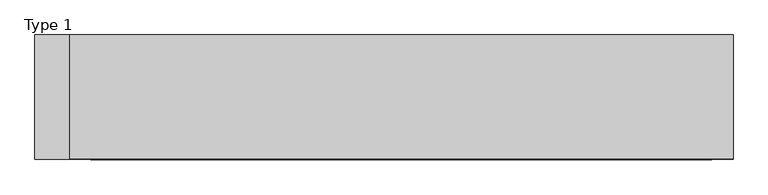
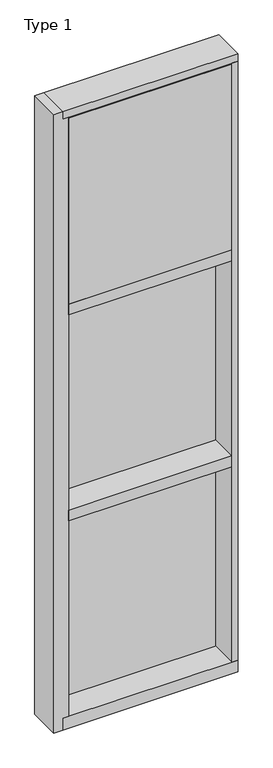
"""IFC4 building model written with IfcOpenShell, lengths in millimetres: plate geometry, Type 1."""

from ifc_helpers import new_model, si_unit, frame, origin, place, context, project, spatial, polyline, outline, extrude, faceted_brep, source, transform, mapped, element, save


def type_1_eb55c63a(model_context):
    return source(origin(), model_context, "Body", "SolidModel", [
        extrude(outline(polyline([(490.1108975, 27.6881517), (490.1108975, 11.2982336), (477.4119867, 11.2982336), (477.4119867, 27.6881517), (490.1108975, 27.6881517)])), frame((0.0, 0.0, 1225.55), z_axis=(0.0, 0.0, 1.0), x_axis=(1.0, 0.0, 0.0)), (0.0, 0.0, 1.0), 1206.5),
        extrude(outline(polyline([(-477.4119867, 27.6881517), (-477.4119867, 11.2982336), (-490.1108975, 11.2982336), (-490.1108975, 27.6881517), (-477.4119867, 27.6881517)])), frame((0.0, 0.0, 1225.55), z_axis=(0.0, 0.0, 1.0), x_axis=(1.0, 0.0, 0.0)), (0.0, 0.0, 1.0), 1206.5),
        extrude(outline(polyline([(477.4119867, 27.686), (477.4119867, 2.286), (-477.4119867, 2.286), (-477.4119867, 27.686), (477.4119867, 27.686)])), frame((0.0, 0.0, 1225.55), z_axis=(0.0, 0.0, 1.0), x_axis=(1.0, 0.0, 0.0)), (0.0, 0.0, 1.0), 1206.5),
        extrude(outline(polyline([(490.1108975, 27.686), (490.1108975, 6.35), (-490.1108975, 6.35), (-490.1108975, 27.686), (490.1108975, 27.686)])), frame((0.0, 0.0, 2432.05), z_axis=(0.0, 0.0, 1.0), x_axis=(1.0, 0.0, 0.0)), (0.0, 0.0, 1.0), 12.7),
        faceted_brep([(-540.9108975, -155.9814, 3619.5), (-490.1108975, -155.9814, 3619.5), (-490.1108975, 27.686, 3619.5), (-540.9108975, 27.686, 3619.5), (-540.9108975, -155.9814, -38.1), (-540.9108975, 27.686, -38.1), (-490.1108975, 27.686, -38.1), (-490.1108975, -155.9814, -38.1), (-490.1108975, -155.9814, 31.75), (-458.3608975, -155.9814, 31.75), (-458.3608975, -155.9814, 3575.05), (-490.1108975, -155.9814, 3575.05), (-490.1108975, 2.286, 3575.05), (-490.1108975, 2.286, 31.75), (-458.3608975, 2.286, 3575.05), (-458.3608975, 2.286, 31.75)], [[[0, 1, 2, 3]], [[4, 5, 6, 7]], [[0, 4, 7, 8, 9, 10, 11, 1]], [[1, 11, 12, 13, 8, 7, 6, 2]], [[3, 5, 4, 0]], [[2, 6, 5, 3]], [[12, 11, 10, 14]], [[8, 13, 15, 9]], [[10, 9, 15, 14]], [[14, 15, 13, 12]]]),
        extrude(outline(polyline([(490.1108975, -155.9814), (458.3608975, -155.9814), (458.3608975, 2.286), (490.1108975, 2.286), (490.1108975, -155.9814)])), frame((0.0, 0.0, 31.75), z_axis=(0.0, 0.0, 1.0), x_axis=(1.0, 0.0, 0.0)), (0.0, 0.0, 1.0), 3543.3),
        extrude(outline(polyline([(458.3619867, -48.6409999), (458.3619867, -156.32684), (-458.3608975, -156.32684), (-458.3608975, -48.6409999), (458.3619867, -48.6409999)])), frame((0.0, 0.0, 2470.15), z_axis=(0.0, 0.0, 1.0), x_axis=(1.0, 0.0, 0.0)), (0.0, 0.0, 1.0), 1098.6493556),
        extrude(outline(polyline([(490.1108975, 27.6881517), (490.1108975, 11.2982336), (477.4119867, 11.2982336), (477.4119867, 27.6881517), (490.1108975, 27.6881517)])), frame((0.0, 0.0, 2444.75), z_axis=(0.0, 0.0, 1.0), x_axis=(1.0, 0.0, 0.0)), (0.0, 0.0, 1.0), 1149.35),
        extrude(outline(polyline([(-477.4119867, 27.6881517), (-477.4119867, 11.2982336), (-490.1108975, 11.2982336), (-490.1108975, 27.6881517), (-477.4119867, 27.6881517)])), frame((0.0, 0.0, 2444.75), z_axis=(0.0, 0.0, 1.0), x_axis=(1.0, 0.0, 0.0)), (0.0, 0.0, 1.0), 1149.35),
        extrude(outline(polyline([(477.4119867, 27.686), (477.4119867, 2.286), (-477.4119867, 2.286), (-477.4119867, 27.686), (477.4119867, 27.686)])), frame((0.0, 0.0, 2444.75), z_axis=(0.0, 0.0, 1.0), x_axis=(1.0, 0.0, 0.0)), (0.0, 0.0, 1.0), 1149.35),
        extrude(outline(polyline([(490.1108975, 27.6881517), (490.1108975, 11.2982336), (477.4119867, 11.2982336), (477.4119867, 27.6881517), (490.1108975, 27.6881517)])), frame((0.0, 0.0, 6.35), z_axis=(0.0, 0.0, 1.0), x_axis=(1.0, 0.0, 0.0)), (0.0, 0.0, 1.0), 1206.5),
        extrude(outline(polyline([(-477.4119867, 27.6881517), (-477.4119867, 11.2982336), (-490.1108975, 11.2982336), (-490.1108975, 27.6881517), (-477.4119867, 27.6881517)])), frame((0.0, 0.0, 6.35), z_axis=(0.0, 0.0, 1.0), x_axis=(1.0, 0.0, 0.0)), (0.0, 0.0, 1.0), 1206.5),
        extrude(outline(polyline([(477.4119867, 27.686), (477.4119867, 2.286), (-477.4119867, 2.286), (-477.4119867, 27.686), (477.4119867, 27.686)])), frame((0.0, 0.0, 6.35), z_axis=(0.0, 0.0, 1.0), x_axis=(1.0, 0.0, 0.0)), (0.0, 0.0, 1.0), 1206.5),
        extrude(outline(polyline([(490.1108975, 27.686), (490.1108975, 6.35), (-490.1108975, 6.35), (-490.1108975, 27.686), (490.1108975, 27.686)])), frame((0.0, 0.0, 1212.85), z_axis=(0.0, 0.0, 1.0), x_axis=(1.0, 0.0, 0.0)), (0.0, 0.0, 1.0), 12.7),
        extrude(outline(polyline([(-458.3608975, -155.4734), (-458.3608975, 2.2859999), (458.3608975, 2.2859999), (458.3608975, -155.4734), (-458.3608975, -155.4734)])), frame((0.0, 0.0, 1187.45), z_axis=(0.0, 0.0, 1.0), x_axis=(1.0, 0.0, 0.0)), (0.0, 0.0, 1.0), 63.5),
        extrude(outline(polyline([(-490.1108975, 15.9510838), (-490.1108975, 27.6859999), (490.1108975, 27.6859999), (490.1108975, 15.9510838), (-490.1108975, 15.9510838)])), frame((0.0, 0.0, 3594.7366239), z_axis=(0.0, 0.0, 1.0), x_axis=(1.0, 0.0, 0.0)), (0.0, 0.0, 1.0), 6.7161694),
        extrude(outline(polyline([(27.686, 3619.5), (27.686, 3601.4527933), (2.286, 3601.4527933), (2.286, 3575.6866239), (-155.4734, 3575.6866239), (-155.4734, 3619.5), (27.686, 3619.5)])), frame((-490.1108975, 0.0, 0.0), z_axis=(1.0, 0.0, 0.0), x_axis=(0.0, 1.0, 0.0)), (0.0, 0.0, 1.0), 980.2217951),
        extrude(outline(polyline([(-490.1108975, 5.0946564), (-490.1108975, 27.6881517), (490.1108975, 27.6881517), (490.1108975, 5.0946564), (-490.1108975, 5.0946564)])), frame((0.0, 0.0, -6.2984797), z_axis=(0.0, 0.0, 1.0), x_axis=(1.0, 0.0, 0.0)), (0.0, 0.0, 1.0), 12.6484797),
        extrude(outline(polyline([(-458.3608975, -155.4734), (-458.3608975, 2.2859999), (458.3608975, 2.2859999), (458.3608975, -155.4734), (-458.3608975, -155.4734)])), frame((0.0, 0.0, 2406.65), z_axis=(0.0, 0.0, 1.0), x_axis=(1.0, 0.0, 0.0)), (0.0, 0.0, 1.0), 63.5),
        extrude(outline(polyline([(2.2859999, 31.75), (2.2859999, -6.2983857), (27.6858239, -6.2983857), (27.6858239, -38.1), (-155.6004, -38.1), (-155.6004, 31.75), (2.2859999, 31.75)])), frame((-490.1108975, 0.0, 0.0), z_axis=(1.0, 0.0, 0.0), x_axis=(0.0, 1.0, 0.0)), (0.0, 0.0, 1.0), 980.2217951),
    ])


if __name__ == "__main__":
    model = new_model("IFC4")
    model_context = context("Model", 3, world=origin())
    ifc_project = project(units=[si_unit("LENGTHUNIT", "METRE", prefix="MILLI")], contexts=[model_context])
    site = spatial("IfcSite", under=ifc_project)
    building = spatial("IfcBuilding", under=site)
    placement = place(None, origin())
    type_1_shape = type_1_eb55c63a(model_context)
    element("IfcPlate", 1, ObjectType="Type 1", at=placement, inside=building, context=model_context, shape_type="MappedRepresentation", body=[
        mapped(type_1_shape, transform((0.0, 0.0, 0.0), x_axis=(1.0, 0.0, 0.0), y_axis=(0.0, 1.0, 0.0), z_axis=(0.0, 0.0, 1.0))),
    ])
    save(model, "model.ifc")
